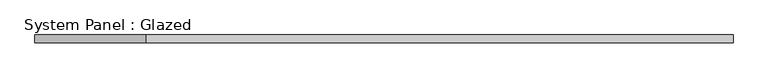
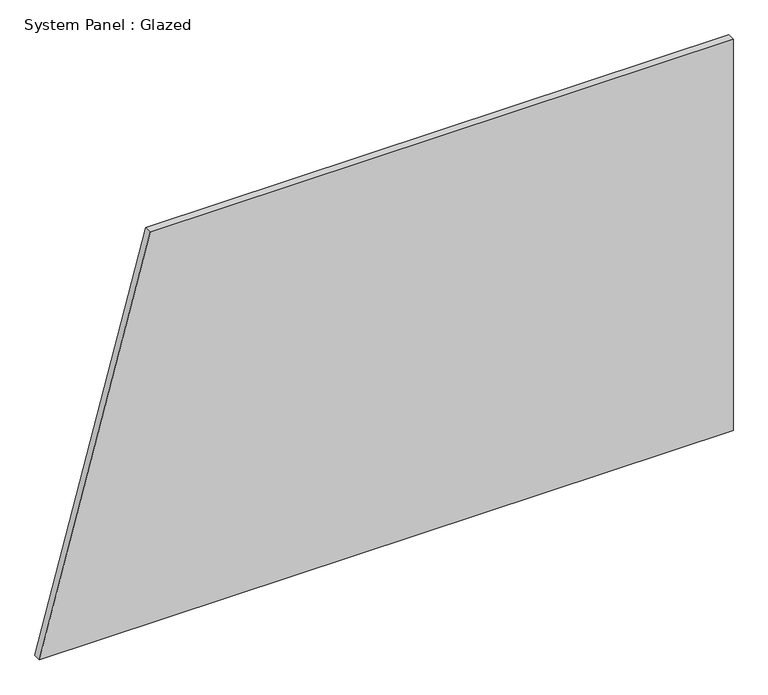
"""IFC4 building model written with IfcOpenShell, lengths in millimetres: plate geometry, System Panel : Glazed."""

from ifc_helpers import new_model, si_unit, frame, origin, place, context, project, spatial, polyline, outline, extrude, source, transform, mapped, element, save


def system_panel_glazed_db62cef8(model_context):
    return source(origin(), model_context, "Body", "SweptSolid", [
        extrude(outline(polyline([(0.0, -1132.1737711), (0.0, 1132.1737711), (1350.0, 1132.1737711), (1350.0, -770.4423613), (0.0, -1132.1737711)])), frame((0.0, -2.5, 0.0), z_axis=(0.0, 1.0, 0.0), x_axis=(0.0, 0.0, 1.0)), (0.0, 0.0, 1.0), 25.0),
    ])


if __name__ == "__main__":
    model = new_model("IFC4")
    model_context = context("Model", 3, world=origin())
    ifc_project = project(units=[si_unit("LENGTHUNIT", "METRE", prefix="MILLI")], contexts=[model_context])
    site = spatial("IfcSite", under=ifc_project)
    building = spatial("IfcBuilding", under=site)
    placement = place(None, origin())
    system_panel_glazed_shape = system_panel_glazed_db62cef8(model_context)
    element("IfcPlate", 1, ObjectType="System Panel : Glazed", at=placement, inside=building, context=model_context, shape_type="MappedRepresentation", body=[
        mapped(system_panel_glazed_shape, transform((0.0, 0.0, 0.0), x_axis=(1.0, 0.0, 0.0), y_axis=(0.0, 1.0, 0.0), z_axis=(0.0, 0.0, 1.0))),
    ])
    save(model, "model.ifc")
